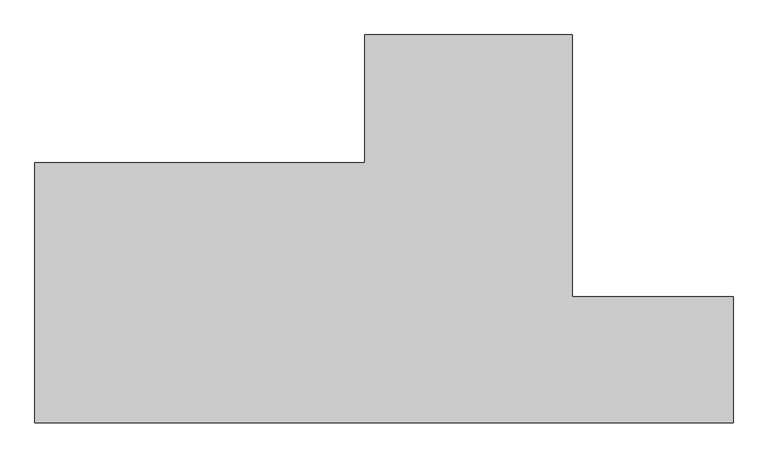
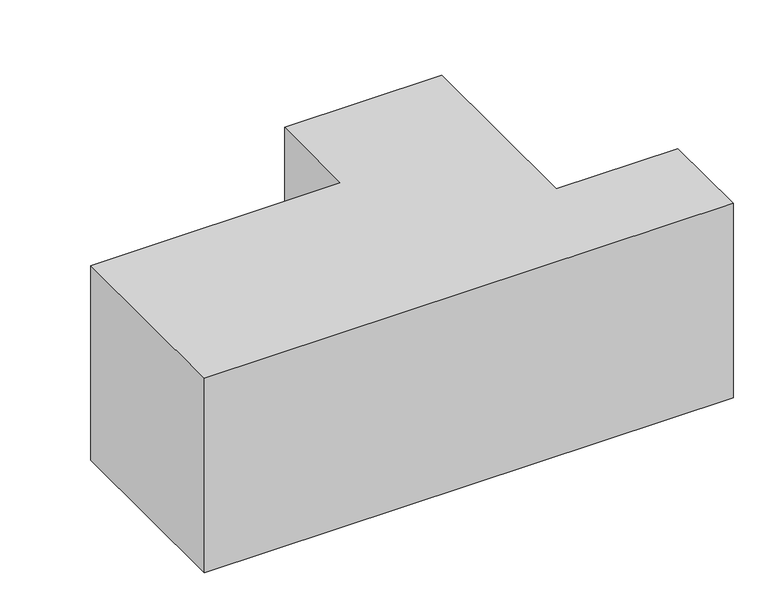
"""IFC4 building model written with IfcOpenShell, lengths in millimetres: proxy geometry."""

from ifc_helpers import new_model, si_unit, origin, origin_with_axes, place, context, project, spatial, polyline, outline, extrude, source, transform, mapped, element, save


def generic_models_9a1a9653(model_context):
    return source(origin(), model_context, "Body", "SweptSolid", [
        extrude(outline(polyline([(1700.0, 1340.0), (1700.0, 2000.0), (2770.0, 2000.0), (2770.0, 650.0), (3600.0, 650.0), (3600.0, 0.0), (0.0, 0.0), (0.0, 1340.0), (1700.0, 1340.0)])), origin_with_axes(), (0.0, 0.0, 1.0), 1400.0),
    ])


if __name__ == "__main__":
    model = new_model("IFC4")
    model_context = context("Model", 3, world=origin())
    ifc_project = project(units=[si_unit("LENGTHUNIT", "METRE", prefix="MILLI")], contexts=[model_context])
    site = spatial("IfcSite", under=ifc_project)
    building = spatial("IfcBuilding", under=site)
    placement = place(None, origin())
    generic_models_shape = generic_models_9a1a9653(model_context)
    element("IfcBuildingElementProxy", 1, Name="Generic Models", at=placement, inside=building, context=model_context, shape_type="MappedRepresentation", body=[
        mapped(generic_models_shape, transform((0.0, 0.0, 0.0), x_axis=(1.0, 0.0, 0.0), y_axis=(0.0, 1.0, 0.0), z_axis=(0.0, 0.0, 1.0))),
    ])
    save(model, "model.ifc")
